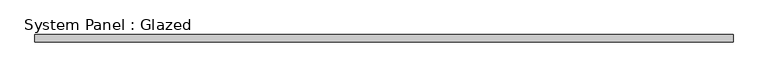
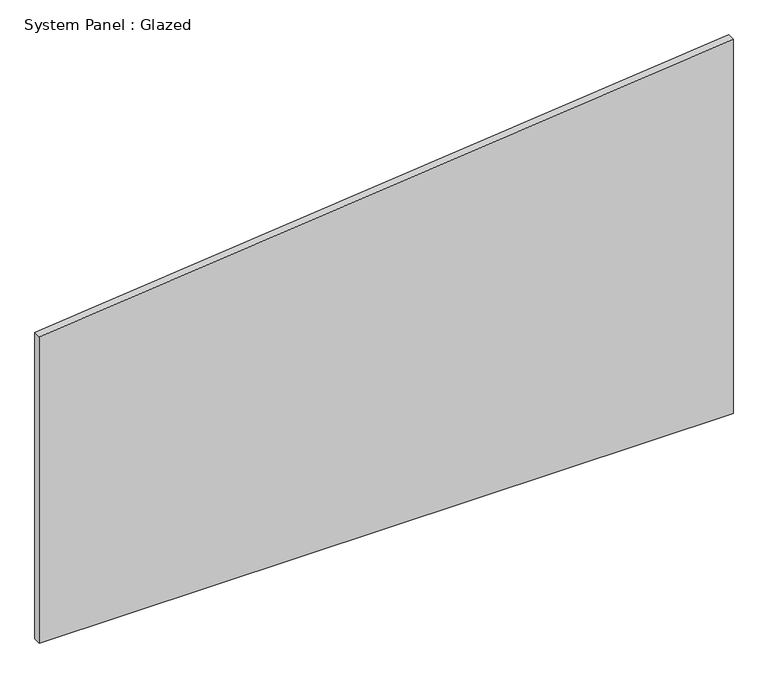
"""IFC4 building model written with IfcOpenShell, lengths in millimetres: plate geometry, System Panel : Glazed."""

from ifc_helpers import new_model, si_unit, frame, origin, place, context, project, spatial, polyline, outline, extrude, source, transform, mapped, element, save


def system_panel_glazed_fdd1bdaf(model_context):
    return source(origin(), model_context, "Body", "SweptSolid", [
        extrude(outline(polyline([(0.0, -1171.7121958), (0.0, 1171.7121958), (1337.4522105, 1171.7121958), (1093.75259, -1171.7121958), (0.0, -1171.7121958)])), frame((0.0, -49.5, 0.0), z_axis=(0.0, 1.0, 0.0), x_axis=(0.0, 0.0, 1.0)), (0.0, 0.0, 1.0), 25.0),
    ])


if __name__ == "__main__":
    model = new_model("IFC4")
    model_context = context("Model", 3, world=origin())
    ifc_project = project(units=[si_unit("LENGTHUNIT", "METRE", prefix="MILLI")], contexts=[model_context])
    site = spatial("IfcSite", under=ifc_project)
    building = spatial("IfcBuilding", under=site)
    placement = place(None, origin())
    system_panel_glazed_shape = system_panel_glazed_fdd1bdaf(model_context)
    element("IfcPlate", 1, ObjectType="System Panel : Glazed", at=placement, inside=building, context=model_context, shape_type="MappedRepresentation", body=[
        mapped(system_panel_glazed_shape, transform((0.0, 0.0, 0.0), x_axis=(1.0, 0.0, 0.0), y_axis=(0.0, 1.0, 0.0), z_axis=(0.0, 0.0, 1.0))),
    ])
    save(model, "model.ifc")
